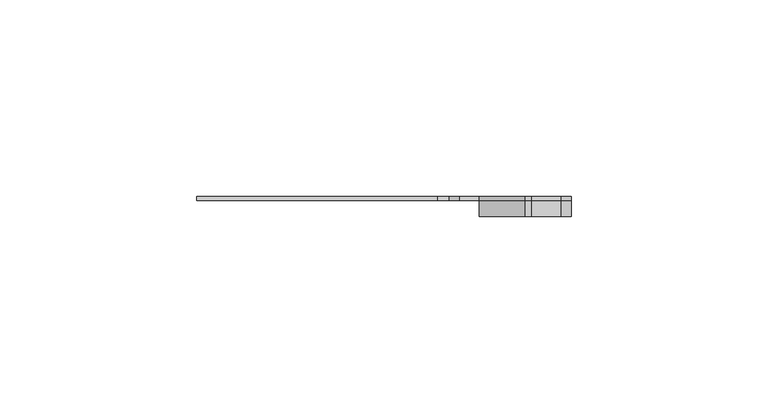
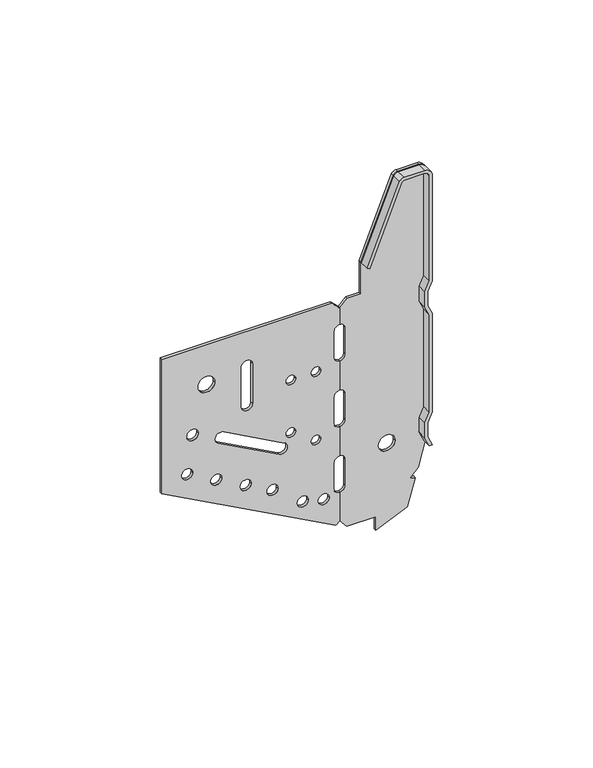
"""IFC4 building model written with IfcOpenShell, lengths in millimetres: proxy geometry."""

from ifc_helpers import new_model, si_unit, point, frame, frame_2d, origin, place, context, project, spatial, polyline, circle_curve, trimmed, segment, composite_curve, outline, extrude, source, transform, mapped, element, save


def generic_models_246736e3(model_context):
    return source(origin(), model_context, "Body", "SweptSolid", [
        extrude(outline(composite_curve([segment(polyline([(87.0551319, -64.0418901), (36.0, -64.0418901), (1.9548724, -1.3378749), (3.2811227, 0.0), (14.0555655, 0.0)]), True, "CONTINUOUS"), segment(trimmed(circle_curve(frame_2d((16.0787588, -0.0418901)), 2.0236269), [point((14.0555655, 0.0))], [point((16.0787588, -2.065517))], True, "CARTESIAN"), True, "CONTINUOUS"), segment(polyline([(16.0787588, -2.065517), (26.0315049, -2.065517)]), True, "CONTINUOUS"), segment(trimmed(circle_curve(frame_2d((26.0315049, -0.0418901)), 2.0236269), [point((26.0315049, -2.065517))], [point((28.0546983, 0.0))], True, "CARTESIAN"), True, "CONTINUOUS"), segment(polyline([(28.0546983, 0.0), (39.0555655, 0.0)]), True, "CONTINUOUS"), segment(trimmed(circle_curve(frame_2d((41.0787588, -0.0418901)), 2.0236269), [point((39.0555655, 0.0))], [point((41.0787588, -2.065517))], True, "CARTESIAN"), True, "CONTINUOUS"), segment(polyline([(41.0787588, -2.065517), (51.0315049, -2.065517)]), True, "CONTINUOUS"), segment(trimmed(circle_curve(frame_2d((51.0315049, -0.0418901)), 2.0236269), [point((51.0315049, -2.065517))], [point((53.0546983, 0.0))], True, "CARTESIAN"), True, "CONTINUOUS"), segment(polyline([(53.0546983, 0.0), (64.0555655, 0.0)]), True, "CONTINUOUS"), segment(trimmed(circle_curve(frame_2d((66.0787588, -0.0418901)), 2.0236269), [point((64.0555655, 0.0))], [point((66.0787588, -2.065517))], True, "CARTESIAN"), True, "CONTINUOUS"), segment(polyline([(66.0787588, -2.065517), (76.0315049, -2.065517)]), True, "CONTINUOUS"), segment(trimmed(circle_curve(frame_2d((76.0315049, -0.0418901)), 2.0236269), [point((76.0315049, -2.065517))], [point((78.0546983, 0.0))], True, "CARTESIAN"), True, "CONTINUOUS"), segment(polyline([(78.0546983, 0.0), (84.253272, 0.0), (87.0551319, -2.8018599), (87.0551319, -64.0418901)]), True, "CONTINUOUS")], self_intersect=False), holes=[composite_curve([segment(trimmed(circle_curve(frame_2d((72.0, -47.9979045)), 3.0), [point((72.0, -50.9979045))], [point((72.0, -44.9979045))], True, "CARTESIAN"), True, "CONTINUOUS"), segment(trimmed(circle_curve(frame_2d((72.0, -47.9979045)), 3.0), [point((72.0, -44.9979045))], [point((72.0, -50.9979045))], True, "CARTESIAN"), True, "CONTINUOUS")], self_intersect=False), composite_curve([segment(trimmed(circle_curve(frame_2d((54.5, -52.9517366)), 2.0901535), [point((54.5, -55.0418901))], [point((54.5, -50.861583))], True, "CARTESIAN"), True, "CONTINUOUS"), segment(trimmed(circle_curve(frame_2d((54.5, -52.9517366)), 2.0901535), [point((54.5, -50.861583))], [point((54.5, -55.0418901))], True, "CARTESIAN"), True, "CONTINUOUS")], self_intersect=False), composite_curve([segment(trimmed(circle_curve(frame_2d((40.1676263, -54.9517366)), 2.0), [point((40.1676263, -56.9517366))], [point((40.1676263, -52.9517366))], True, "CARTESIAN"), True, "CONTINUOUS"), segment(trimmed(circle_curve(frame_2d((40.1676263, -54.9517366)), 2.0), [point((40.1676263, -52.9517366))], [point((40.1676263, -56.9517366))], True, "CARTESIAN"), True, "CONTINUOUS")], self_intersect=False), composite_curve([segment(trimmed(circle_curve(frame_2d((34.4417699, -44.4059048)), 2.0), [point((34.4417699, -46.4059048))], [point((34.4417699, -42.4059048))], True, "CARTESIAN"), True, "CONTINUOUS"), segment(trimmed(circle_curve(frame_2d((34.4417699, -44.4059048)), 2.0), [point((34.4417699, -42.4059048))], [point((34.4417699, -46.4059048))], True, "CARTESIAN"), True, "CONTINUOUS")], self_intersect=False), composite_curve([segment(trimmed(circle_curve(frame_2d((28.7159134, -33.860073)), 2.0), [point((28.7159134, -35.860073))], [point((28.7159134, -31.860073))], True, "CARTESIAN"), True, "CONTINUOUS"), segment(trimmed(circle_curve(frame_2d((28.7159134, -33.860073)), 2.0), [point((28.7159134, -31.860073))], [point((28.7159134, -35.860073))], True, "CARTESIAN"), True, "CONTINUOUS")], self_intersect=False), composite_curve([segment(trimmed(circle_curve(frame_2d((23.4672117, -24.1930605)), 2.0), [point((23.4672117, -26.1930605))], [point((23.4672117, -22.1930605))], True, "CARTESIAN"), True, "CONTINUOUS"), segment(trimmed(circle_curve(frame_2d((23.4672117, -24.1930605)), 2.0), [point((23.4672117, -22.1930605))], [point((23.4672117, -26.1930605))], True, "CARTESIAN"), True, "CONTINUOUS")], self_intersect=False), composite_curve([segment(trimmed(circle_curve(frame_2d((15.2572508, -13.2891371)), 2.0), [point((15.2572508, -15.2891371))], [point((15.2572508, -11.2891371))], True, "CARTESIAN"), True, "CONTINUOUS"), segment(trimmed(circle_curve(frame_2d((15.2572508, -13.2891371)), 2.0), [point((15.2572508, -11.2891371))], [point((15.2572508, -15.2891371))], True, "CARTESIAN"), True, "CONTINUOUS")], self_intersect=False), composite_curve([segment(trimmed(circle_curve(frame_2d((13.4571433, -5.7323275)), 2.0), [point((13.4571433, -7.7323275))], [point((13.4571433, -3.7323275))], True, "CARTESIAN"), True, "CONTINUOUS"), segment(trimmed(circle_curve(frame_2d((13.4571433, -5.7323275)), 2.0), [point((13.4571433, -3.7323275))], [point((13.4571433, -7.7323275))], True, "CARTESIAN"), True, "CONTINUOUS")], self_intersect=False), composite_curve([segment(trimmed(circle_curve(frame_2d((63.0, -17.5622042)), 1.75), [point((63.0, -19.3122042))], [point((63.0, -15.8122042))], True, "CARTESIAN"), True, "CONTINUOUS"), segment(trimmed(circle_curve(frame_2d((63.0, -17.5622042)), 1.75), [point((63.0, -15.8122042))], [point((63.0, -19.3122042))], True, "CARTESIAN"), True, "CONTINUOUS")], self_intersect=False), composite_curve([segment(trimmed(circle_curve(frame_2d((63.0, -8.5501839)), 1.75), [point((63.0, -10.3001839))], [point((63.0, -6.8001839))], True, "CARTESIAN"), True, "CONTINUOUS"), segment(trimmed(circle_curve(frame_2d((63.0, -8.5501839)), 1.75), [point((63.0, -6.8001839))], [point((63.0, -10.3001839))], True, "CARTESIAN"), True, "CONTINUOUS")], self_intersect=False), composite_curve([segment(trimmed(circle_curve(frame_2d((43.0, -17.5622042)), 1.75), [point((43.0, -19.3122042))], [point((43.0, -15.8122042))], True, "CARTESIAN"), True, "CONTINUOUS"), segment(trimmed(circle_curve(frame_2d((43.0, -17.5622042)), 1.75), [point((43.0, -15.8122042))], [point((43.0, -19.3122042))], True, "CARTESIAN"), True, "CONTINUOUS")], self_intersect=False), composite_curve([segment(trimmed(circle_curve(frame_2d((37.0, -8.5501839)), 1.75), [point((37.0, -10.3001839))], [point((37.0, -6.8001839))], True, "CARTESIAN"), True, "CONTINUOUS"), segment(trimmed(circle_curve(frame_2d((37.0, -8.5501839)), 1.75), [point((37.0, -6.8001839))], [point((37.0, -10.3001839))], True, "CARTESIAN"), True, "CONTINUOUS")], self_intersect=False), composite_curve([segment(polyline([(73.9763731, -31.3773702), (59.0236269, -31.3773702)]), True, "CONTINUOUS"), segment(trimmed(circle_curve(frame_2d((59.0236269, -33.4009971)), 2.0236269), [point((59.0236269, -31.3773702))], [point((59.0236269, -35.4246241))], True, "CARTESIAN"), True, "CONTINUOUS"), segment(polyline([(59.0236269, -35.4246241), (73.9763731, -35.4246241)]), True, "CONTINUOUS"), segment(trimmed(circle_curve(frame_2d((73.9763731, -33.4009971)), 2.0236269), [point((73.9763731, -35.4246241))], [point((73.9763731, -31.3773702))], True, "CARTESIAN"), True, "CONTINUOUS")], self_intersect=False), composite_curve([segment(polyline([(51.7189076, -41.8530352), (39.7916838, -19.8855798)]), True, "CONTINUOUS"), segment(trimmed(circle_curve(frame_2d((38.0132813, -20.8511629)), 2.0236269), [point((39.7916838, -19.8855798))], [point((36.2348789, -21.816746))], True, "CARTESIAN"), True, "CONTINUOUS"), segment(polyline([(36.2348789, -21.816746), (48.1621027, -43.7842015)]), True, "CONTINUOUS"), segment(trimmed(circle_curve(frame_2d((49.9405052, -42.8186183)), 2.0236269), [point((48.1621027, -43.7842015))], [point((51.7189076, -41.8530352))], True, "CARTESIAN"), True, "CONTINUOUS")], self_intersect=False)]), frame((0.0, -1.0, 0.0), z_axis=(0.0, 1.0, 0.0), x_axis=(0.0, 0.0, 1.0)), (0.0, 0.0, 1.0), 1.0),
        extrude(outline(composite_curve([segment(polyline([(84.331397, 0.0), (78.0548075, 0.0)]), True, "CONTINUOUS"), segment(trimmed(circle_curve(frame_2d((76.0315049, 0.0362349)), 2.0236269), [point((78.0548075, 0.0))], [point((76.0315049, 2.0598619))], True, "CARTESIAN"), True, "CONTINUOUS"), segment(polyline([(76.0315049, 2.0598619), (66.0787588, 2.0598619)]), True, "CONTINUOUS"), segment(trimmed(circle_curve(frame_2d((66.0787588, 0.0362349)), 2.0236269), [point((66.0787588, 2.0598619))], [point((64.0554563, 0.0))], True, "CARTESIAN"), True, "CONTINUOUS"), segment(polyline([(64.0554563, 0.0), (53.0548075, 0.0)]), True, "CONTINUOUS"), segment(trimmed(circle_curve(frame_2d((51.0315049, 0.0362349)), 2.0236269), [point((53.0548075, 0.0))], [point((51.0315049, 2.0598619))], True, "CARTESIAN"), True, "CONTINUOUS"), segment(polyline([(51.0315049, 2.0598619), (41.0787588, 2.0598619)]), True, "CONTINUOUS"), segment(trimmed(circle_curve(frame_2d((41.0787588, 0.0362349)), 2.0236269), [point((41.0787588, 2.0598619))], [point((39.0554563, 0.0))], True, "CARTESIAN"), True, "CONTINUOUS"), segment(polyline([(39.0554563, 0.0), (28.0548075, 0.0)]), True, "CONTINUOUS"), segment(trimmed(circle_curve(frame_2d((26.0315049, 0.0362349)), 2.0236269), [point((28.0548075, 0.0))], [point((26.0315049, 2.0598619))], True, "CARTESIAN"), True, "CONTINUOUS"), segment(polyline([(26.0315049, 2.0598619), (16.0787588, 2.0598619)]), True, "CONTINUOUS"), segment(trimmed(circle_curve(frame_2d((16.0787588, 0.0362349)), 2.0236269), [point((16.0787588, 2.0598619))], [point((14.0554563, 0.0))], True, "CARTESIAN"), True, "CONTINUOUS"), segment(polyline([(14.0554563, 0.0), (3.3362546, 0.0), (0.2023294, 2.6015429), (0.2023294, 13.0362349), (-5.0048681, 13.0362349), (0.0, 24.4109351), (10.1633389, 27.2360649), (10.6867653, 25.2228862), (13.676509, 28.2126299), (23.8343629, 31.0362349), (27.3343629, 29.4116721), (32.7759009, 29.4116721), (36.2759009, 31.0362349), (73.8343629, 31.0362349), (77.3343629, 29.4116721), (82.7759009, 29.4116721), (86.2759009, 31.0362349), (126.3551319, 31.0362349)]), True, "CONTINUOUS"), segment(trimmed(circle_curve(frame_2d((126.3551319, 28.3362349)), 2.7), [point((126.3551319, 31.0362349))], [point((129.0551319, 28.3362349))], False, "CARTESIAN"), True, "CONTINUOUS"), segment(polyline([(129.0551319, 28.3362349), (129.0551319, 20.9780513)]), True, "CONTINUOUS"), segment(trimmed(circle_curve(frame_2d((127.0551319, 20.9780513)), 2.0), [point((129.0551319, 20.9780513))], [point((127.9914442, 19.2107598))], False, "CARTESIAN"), True, "CONTINUOUS"), segment(polyline([(127.9914442, 19.2107598), (99.0792965, 7.6645514), (87.0551319, 7.6645514), (87.0551319, 2.7237349), (84.331397, 0.0)]), True, "CONTINUOUS")], self_intersect=False), holes=[composite_curve([segment(trimmed(circle_curve(frame_2d((27.0, 16.9581099)), 3.0), [point((27.0, 13.9581099))], [point((27.0, 19.9581099))], True, "CARTESIAN"), True, "CONTINUOUS"), segment(trimmed(circle_curve(frame_2d((27.0, 16.9581099)), 3.0), [point((27.0, 19.9581099))], [point((27.0, 13.9581099))], True, "CARTESIAN"), True, "CONTINUOUS")], self_intersect=False)]), frame((0.0, -1.0, 0.0), z_axis=(0.0, 1.0, 0.0), x_axis=(0.0, 0.0, 1.0)), (0.0, 0.0, 1.0), 1.0),
        extrude(outline(composite_curve([segment(polyline([(99.0792965, 7.6645514), (98.714337, 8.5769499), (127.5619329, 20.1159883)]), True, "CONTINUOUS"), segment(trimmed(circle_curve(frame_2d((127.0551319, 20.9780513)), 1.0), [point((127.5619329, 20.1159883))], [point((128.0551319, 20.9780513))], True, "CARTESIAN"), True, "CONTINUOUS"), segment(polyline([(128.0551319, 20.9780513), (128.0551319, 28.3362349)]), True, "CONTINUOUS"), segment(trimmed(circle_curve(frame_2d((126.3551319, 28.3362349)), 1.7), [point((128.0551319, 28.3362349))], [point((126.3551319, 30.0362349))], True, "CARTESIAN"), True, "CONTINUOUS"), segment(polyline([(126.3551319, 30.0362349), (86.49667, 30.0362349), (82.99667, 28.4116721), (77.1135938, 28.4116721), (73.6135938, 30.0362349), (36.49667, 30.0362349), (32.99667, 28.4116721), (27.1135938, 28.4116721), (23.8343629, 29.9337626), (23.8343629, 31.0362349), (27.3343629, 29.4116721), (32.7759009, 29.4116721), (36.2759009, 31.0362349), (73.8343629, 31.0362349), (77.3343629, 29.4116721), (82.7759009, 29.4116721), (86.2759009, 31.0362349), (126.3551319, 31.0362349)]), True, "CONTINUOUS"), segment(trimmed(circle_curve(frame_2d((126.3551319, 28.3362349)), 2.7), [point((126.3551319, 31.0362349))], [point((129.0551319, 28.3362349))], False, "CARTESIAN"), True, "CONTINUOUS"), segment(polyline([(129.0551319, 28.3362349), (129.0551319, 20.9780513)]), True, "CONTINUOUS"), segment(trimmed(circle_curve(frame_2d((127.0551319, 20.9780513)), 2.0), [point((129.0551319, 20.9780513))], [point((127.9914442, 19.2107598))], False, "CARTESIAN"), True, "CONTINUOUS"), segment(polyline([(127.9914442, 19.2107598), (99.0792965, 7.6645514)]), True, "CONTINUOUS")], self_intersect=False)), frame((0.0, -5.0, 0.0), z_axis=(0.0, 1.0, 0.0), x_axis=(0.0, 0.0, 1.0)), (0.0, 0.0, 1.0), 4.0),
    ])


if __name__ == "__main__":
    model = new_model("IFC4")
    model_context = context("Model", 3, world=origin())
    ifc_project = project(units=[si_unit("LENGTHUNIT", "METRE", prefix="MILLI")], contexts=[model_context])
    site = spatial("IfcSite", under=ifc_project)
    building = spatial("IfcBuilding", under=site)
    placement = place(None, origin())
    generic_models_shape = generic_models_246736e3(model_context)
    element("IfcBuildingElementProxy", 1, Name="Generic Models", at=placement, inside=building, context=model_context, shape_type="MappedRepresentation", body=[
        mapped(generic_models_shape, transform((0.0, 0.0, 0.0), x_axis=(1.0, 0.0, 0.0), y_axis=(0.0, 1.0, 0.0), z_axis=(0.0, 0.0, 1.0))),
    ])
    save(model, "model.ifc")
